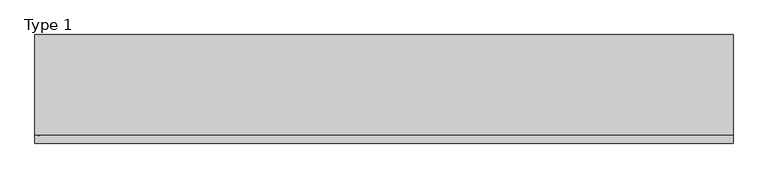
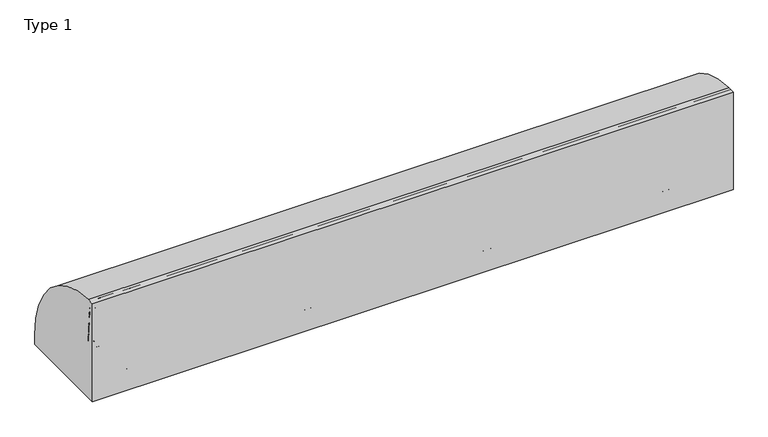
"""IFC4 building model written with IfcOpenShell, lengths in millimetres: railing geometry, Type 1."""

from ifc_helpers import new_model, si_unit, point, frame, frame_2d, origin, origin_with_axes, place, context, project, spatial, polyline, circle_curve, ellipse_curve, trimmed, segment, composite_curve, outline, extrude, source, transform, mapped, element, save
from ifc_brep_helpers import plane_surface, cylinder_surface, revolved_surface, advanced_brep


def type_1_0f7b3bec(model_context):
    return source(origin(), model_context, "Body", "SolidModel", [
        extrude(outline(polyline([(3577.3333333, -185.0), (3577.3333333, 0.0), (3622.3333333, 0.0), (3622.3333333, -185.0), (3577.3333333, -185.0)])), frame((0.0, 0.0, 1e-07), z_axis=(0.0, 0.0, 1.0), x_axis=(1.0, 0.0, 0.0)), (0.0, 0.0, 1.0), 2.5),
        extrude(outline(composite_curve([segment(polyline([(-185.0, 185.0000001), (-154.0180942, 185.0000001)]), True, "CONTINUOUS"), segment(trimmed(circle_curve(frame_2d((-154.0180942, 112.1212122)), 72.8787879), [point((-154.0180942, 185.0000001))], [point((-102.485009, 163.6542973))], False, "CARTESIAN"), True, "CONTINUOUS"), segment(polyline([(-102.485009, 163.6542973), (-4.3933983, 65.5626865)]), True, "CONTINUOUS"), segment(trimmed(circle_curve(frame_2d((-15.0, 54.9560848)), 15.0), [point((-4.3933983, 65.5626865))], [point((0.0, 54.9560848))], False, "CARTESIAN"), True, "CONTINUOUS"), segment(polyline([(0.0, 54.9560848), (0.0, 1e-07), (-185.0, 1e-07), (-185.0, 185.0000001)]), True, "CONTINUOUS")], self_intersect=False), holes=[composite_curve([segment(trimmed(circle_curve(frame_2d((-92.5196719, 93.0361975)), 5.6060606), [point((-98.1257325, 93.0361975))], [point((-86.9136113, 93.0361975))], True, "CARTESIAN"), True, "CONTINUOUS"), segment(trimmed(circle_curve(frame_2d((-165.5151515, 93.0361975)), 78.6015402), [point((-86.9136113, 93.0361975))], [point((-165.5151515, 171.6377377))], True, "CARTESIAN"), True, "CONTINUOUS"), segment(trimmed(circle_curve(frame_2d((-165.5151515, 166.0316771)), 5.6060606), [point((-165.5151515, 171.6377377))], [point((-171.1212121, 166.0316771))], True, "CARTESIAN"), True, "CONTINUOUS"), segment(polyline([(-171.1212121, 166.0316771), (-171.1212121, 143.5676849)]), True, "CONTINUOUS"), segment(trimmed(circle_curve(frame_2d((-165.5151515, 143.5676849)), 5.6060606), [point((-171.1212121, 143.5676849))], [point((-159.9090909, 143.5676849))], True, "CARTESIAN"), True, "CONTINUOUS"), segment(polyline([(-159.9090909, 143.5676849), (-159.9090909, 157.7293747)]), True, "CONTINUOUS"), segment(trimmed(circle_curve(frame_2d((-157.6849895, 157.7293747)), 2.2241014), [point((-159.9090909, 157.7293747))], [point((-157.417745, 159.9373619))], False, "CARTESIAN"), True, "CONTINUOUS"), segment(trimmed(circle_curve(frame_2d((-165.5151515, 93.0361975)), 67.389419), [point((-157.417745, 159.9373619))], [point((-98.1257325, 93.0361975))], False, "CARTESIAN"), True, "CONTINUOUS")], self_intersect=False)]), frame((3622.3333333, 0.0, 0.0), z_axis=(1.0, 0.0, 0.0), x_axis=(0.0, 1.0, 0.0)), (0.0, 0.0, 1.0), 3.0),
        advanced_brep(
        [(3689.3333333, -185.0, 185.0000001), (3689.3333333, -154.0180942, 185.0000001), (3689.3333333, -102.485009, 163.6542973), (3689.3333333, -4.3933983, 65.5626865), (3689.3333333, 0.0, 54.9560848), (3689.3333333, 0.0, 1e-07), (3689.3333333, -185.0, 1e-07), (3689.3333333, -185.0, 100.9768515), (3689.3333333, -98.1257325, 93.0361975), (3689.3333333, -86.9136113, 93.0361975), (3689.3333333, -165.5151515, 171.6377377), (3689.3333333, -171.1212121, 166.0316771), (3689.3333333, -171.1212121, 143.5676849), (3689.3333333, -159.9090909, 143.5676849), (3689.3333333, -159.9090909, 157.7293747), (3689.3333333, -157.417745, 159.9373619), (3692.3333333, 0.0, 54.9560848), (3692.3333333, -4.3933983, 65.5626865), (3692.3333333, -102.485009, 163.6542973), (3692.3333333, -154.0180942, 185.0000001), (3692.3333333, -188.0, 185.0000001), (3692.3333333, -188.0, 100.9768515), (3692.3333333, -185.0, 100.9768515), (3692.3333333, -185.0, 2.5000001), (3692.3333333, 0.0, 2.5000001), (3692.3333333, -98.1257325, 93.0361975), (3692.3333333, -157.417745, 159.9373619), (3692.3333333, -159.9090909, 157.7293747), (3692.3333333, -159.9090909, 143.5676849), (3692.3333333, -171.1212121, 143.5676849), (3692.3333333, -171.1212121, 166.0316771), (3692.3333333, -165.5151515, 171.6377377), (3692.3333333, -86.9136113, 93.0361975), (3622.3333333, -185.0, 185.0000001), (3622.3333333, -188.0, 185.0000001), (3737.3333333, 0.0, 2.5000001), (3737.3333333, 0.0, 1e-07), (3737.3333333, -185.0, 1e-07), (3737.3333333, -185.0, 2.5000001), (3622.3333333, -188.0, 100.9768515), (3622.3333333, -185.0, 100.9768515)],
        [
            (0, 1),
            (1, 2, circle_curve(frame((3689.3333333, -154.0180942, 112.1212122), z_axis=(-1.0, 0.0, 0.0), x_axis=(0.0, -1.0, 0.0)), 72.8787879)),
            (2, 3),
            (3, 4, circle_curve(frame((3689.3333333, -15.0, 54.9560848), z_axis=(-1.0, 0.0, 0.0), x_axis=(0.0, -1.0, 0.0)), 15.0)),
            (4, 5),
            (5, 6),
            (6, 7),
            (7, 0),
            (8, 9, circle_curve(frame((3689.3333333, -92.5196719, 93.0361975), z_axis=(1.0, 0.0, 0.0), x_axis=(0.0, -1.0, 0.0)), 5.6060606)),
            (9, 10, circle_curve(frame((3689.3333333, -165.5151515, 93.0361975), z_axis=(1.0, 0.0, 0.0), x_axis=(0.0, -1.0, 0.0)), 78.6015402)),
            (10, 11, circle_curve(frame((3689.3333333, -165.5151515, 166.0316771), z_axis=(1.0, 0.0, 0.0), x_axis=(0.0, -1.0, 0.0)), 5.6060606)),
            (11, 12),
            (12, 13, circle_curve(frame((3689.3333333, -165.5151515, 143.5676849), z_axis=(1.0, 0.0, 0.0), x_axis=(0.0, -1.0, 0.0)), 5.6060606)),
            (13, 14),
            (14, 15, circle_curve(frame((3689.3333333, -157.6849895, 157.7293747), z_axis=(-1.0, 0.0, 0.0), x_axis=(0.0, -1.0, 0.0)), 2.2241014)),
            (15, 8, circle_curve(frame((3689.3333333, -165.5151515, 93.0361975), z_axis=(-1.0, 0.0, 0.0), x_axis=(0.0, -1.0, 0.0)), 67.389419)),
            (16, 17, circle_curve(frame((3692.3333333, -15.0, 54.9560848), z_axis=(1.0, 0.0, 0.0), x_axis=(0.0, -1.0, 0.0)), 15.0)),
            (17, 18),
            (18, 19, circle_curve(frame((3692.3333333, -154.0180942, 112.1212122), z_axis=(1.0, 0.0, 0.0), x_axis=(0.0, -1.0, 0.0)), 72.8787879)),
            (19, 20),
            (20, 21),
            (21, 22),
            (22, 23),
            (23, 24),
            (24, 16),
            (25, 26, circle_curve(frame((3692.3333333, -165.5151515, 93.0361975), z_axis=(1.0, 0.0, 0.0), x_axis=(0.0, -1.0, 0.0)), 67.389419)),
            (26, 27, circle_curve(frame((3692.3333333, -157.6849895, 157.7293747), z_axis=(1.0, 0.0, 0.0), x_axis=(0.0, -1.0, 0.0)), 2.2241014)),
            (27, 28),
            (28, 29, circle_curve(frame((3692.3333333, -165.5151515, 143.5676849), z_axis=(-1.0, 0.0, 0.0), x_axis=(0.0, -1.0, 0.0)), 5.6060606)),
            (29, 30),
            (30, 31, circle_curve(frame((3692.3333333, -165.5151515, 166.0316771), z_axis=(-1.0, 0.0, 0.0), x_axis=(0.0, -1.0, 0.0)), 5.6060606)),
            (31, 32, circle_curve(frame((3692.3333333, -165.5151515, 93.0361975), z_axis=(-1.0, 0.0, 0.0), x_axis=(0.0, -1.0, 0.0)), 78.6015402)),
            (32, 25, circle_curve(frame((3692.3333333, -92.5196719, 93.0361975), z_axis=(-1.0, 0.0, 0.0), x_axis=(0.0, -1.0, 0.0)), 5.6060606)),
            (0, 33),
            (33, 34),
            (34, 20),
            (19, 1),
            (18, 2),
            (17, 3),
            (16, 4),
            (24, 35),
            (35, 36),
            (36, 5),
            (36, 37),
            (37, 6),
            (37, 38),
            (38, 23),
            (22, 7),
            (8, 25),
            (32, 9),
            (31, 10),
            (30, 11),
            (15, 26),
            (29, 12),
            (28, 13),
            (27, 14),
            (34, 39),
            (39, 21),
            (40, 33),
            (7, 40),
            (40, 39),
            (38, 35),
        ],
        [
            plane_surface(frame((3689.3333333, -183.2270223, 185.0000001), z_axis=(-1.0, 0.0, 0.0), x_axis=(0.0, 1.0, 0.0))),
            plane_surface(frame((3692.3333333, -183.2270223, 185.0000001), z_axis=(1.0, 0.0, 0.0), x_axis=(0.0, -1.0, 0.0))),
            plane_surface(frame((3689.3333333, -185.0, 185.0000001), z_axis=(0.0, 0.0, 1.0), x_axis=(1.0, 0.0, 0.0))),
            cylinder_surface(frame((3692.3333333, -154.0180942, 112.1212122), z_axis=(-1.0, 0.0, 0.0), x_axis=(0.0, -1.0, 0.0)), 72.8787879),
            plane_surface(frame((3689.3333333, -102.485009, 163.6542973), z_axis=(0.0, 0.7071067811865421, 0.707106781186553), x_axis=(1.0, 0.0, 0.0))),
            cylinder_surface(frame((3692.3333333, -15.0, 54.9560848), z_axis=(-1.0, 0.0, 0.0), x_axis=(0.0, -1.0, 0.0)), 15.0),
            plane_surface(frame((3689.3333333, 0.0, 54.9560848), z_axis=(0.0, 1.0, 0.0), x_axis=(1.0, 0.0, 0.0))),
            plane_surface(frame((3689.3333333, 0.0, 1e-07), z_axis=(0.0, 0.0, -1.0), x_axis=(1.0, 0.0, 0.0))),
            plane_surface(frame((3689.3333333, -185.0, 1e-07), z_axis=(0.0, -1.0, 0.0), x_axis=(1.0, 0.0, 0.0))),
            revolved_surface(polyline([(3692.3333333, -98.12573250000001, 93.0361975), (3689.3333333, -98.12573250000001, 93.0361975)]), (3692.3333333, -92.5196719, 93.0361975), (1.0, 0.0, 0.0)),
            revolved_surface(polyline([(3692.3333333, -244.1166917, 93.0361975), (3689.3333333, -244.1166917, 93.0361975)]), (3692.3333333, -165.5151515, 93.0361975), (1.0, 0.0, 0.0)),
            revolved_surface(polyline([(3692.3333333, -171.1212121, 166.0316771), (3689.3333333, -171.1212121, 166.0316771)]), (3692.3333333, -165.5151515, 166.0316771), (1.0, 0.0, 0.0)),
            cylinder_surface(frame((3692.3333333, -165.5151515, 93.0361975), z_axis=(-1.0, 0.0, 0.0), x_axis=(0.0, -1.0, 0.0)), 67.389419),
            plane_surface(frame((3689.3333333, -171.1212121, 166.0316771), z_axis=(0.0, 1.0, 0.0), x_axis=(1.0, 0.0, 0.0))),
            revolved_surface(polyline([(3692.3333333, -171.1212121, 143.5676849), (3689.3333333, -171.1212121, 143.5676849)]), (3692.3333333, -165.5151515, 143.5676849), (1.0, 0.0, 0.0)),
            plane_surface(frame((3689.3333333, -159.9090909, 143.5676849), z_axis=(0.0, -1.0, 0.0), x_axis=(1.0, 0.0, 0.0))),
            cylinder_surface(frame((3692.3333333, -157.6849895, 157.7293747), z_axis=(-1.0, 0.0, 0.0), x_axis=(0.0, -1.0, 0.0)), 2.2241014),
            plane_surface(frame((3622.3333333, -188.0, 185.0000001), z_axis=(0.0, -1.0, 0.0), x_axis=(-1.0, 0.0, 0.0))),
            plane_surface(frame((3622.3333333, -185.0, 185.0000001), z_axis=(0.0, 1.0, 0.0), x_axis=(1.0, 0.0, 0.0))),
            plane_surface(frame((3622.3333333, -188.0, 185.0000001), z_axis=(-1.0, 0.0, 0.0), x_axis=(0.0, 1.0, 0.0))),
            plane_surface(frame((3622.3333333, -188.0, 100.9768515), z_axis=(0.0, 0.0, -1.0), x_axis=(0.0, 1.0, 0.0))),
            plane_surface(frame((3737.3333333, -185.0, 2.5000001), z_axis=(0.0, 0.0, 1.0), x_axis=(0.0, 1.0, 0.0))),
            plane_surface(frame((3737.3333333, -185.0, 2.5000001), z_axis=(1.0, 0.0, 0.0), x_axis=(0.0, 0.0, -1.0))),
        ],
        [
            (0, [[1, 2, 3, 4, 5, 6, 7, 8], [9, 10, 11, 12, 13, 14, 15, 16]]),
            (1, [[17, 18, 19, 20, 21, 22, 23, 24, 25], [26, 27, 28, 29, 30, 31, 32, 33]]),
            (2, [[-1, 34, 35, 36, -20, 37]]),
            (3, [[-2, -37, -19, 38]]),
            (4, [[-3, -38, -18, 39]]),
            (5, [[-4, -39, -17, 40]]),
            (6, [[-5, -40, -25, 41, 42, 43]]),
            (7, [[-6, -43, 44, 45]]),
            (8, [[-45, 46, 47, -23, 48, -7]]),
            (9, [[-9, 49, -33, 50]]),
            (10, [[-10, -50, -32, 51]]),
            (11, [[-11, -51, -31, 52]]),
            (12, [[-16, 53, -26, -49]]),
            (13, [[-12, -52, -30, 54]]),
            (14, [[-13, -54, -29, 55]]),
            (15, [[-14, -55, -28, 56]]),
            (16, [[-15, -56, -27, -53]]),
            (17, [[-36, 57, 58, -21]]),
            (18, [[59, -34, -8, 60]]),
            (19, [[-57, -35, -59, 61]]),
            (20, [[-58, -61, -60, -48, -22]]),
            (21, [[62, -41, -24, -47]]),
            (22, [[-62, -46, -44, -42]]),
        ],
    ),
        extrude(outline(composite_curve([segment(trimmed(circle_curve(frame_2d((3634.3333333, -180.0)), 5.0), [point((3634.3333333, -185.0))], [point((3629.3333333, -180.0))], False, "CARTESIAN"), True, "CONTINUOUS"), segment(polyline([(3629.3333333, -180.0), (3629.3333333, -152.0)]), True, "CONTINUOUS"), segment(trimmed(circle_curve(frame_2d((3634.3333333, -152.0)), 5.0), [point((3629.3333333, -152.0))], [point((3634.3333333, -147.0))], False, "CARTESIAN"), True, "CONTINUOUS"), segment(polyline([(3634.3333333, -147.0), (3680.3333333, -147.0)]), True, "CONTINUOUS"), segment(trimmed(circle_curve(frame_2d((3680.3333333, -152.0)), 5.0), [point((3680.3333333, -147.0))], [point((3685.3333333, -152.0))], False, "CARTESIAN"), True, "CONTINUOUS"), segment(polyline([(3685.3333333, -152.0), (3685.3333333, -180.0)]), True, "CONTINUOUS"), segment(trimmed(circle_curve(frame_2d((3680.3333333, -180.0)), 5.0), [point((3685.3333333, -180.0))], [point((3680.3333333, -185.0))], False, "CARTESIAN"), True, "CONTINUOUS"), segment(polyline([(3680.3333333, -185.0), (3634.3333333, -185.0)]), True, "CONTINUOUS")], self_intersect=False)), frame((0.0, 0.0, 43.0000001), z_axis=(0.0, 0.0, 1.0), x_axis=(1.0, 0.0, 0.0)), (0.0, 0.0, 1.0), 965.0),
        extrude(outline(composite_curve([segment(polyline([(-209.2, 1050.0), (-132.6546144, 1050.0)]), True, "CONTINUOUS"), segment(trimmed(circle_curve(frame_2d((-139.8273072, 108.0)), 942.0273072), [point((-132.6546144, 1050.0))], [point((802.2, 108.0))], False, "CARTESIAN"), True, "CONTINUOUS"), segment(polyline([(802.2, 108.0), (802.2, 0.0), (-209.2, 0.0), (-209.2, 1050.0)]), True, "CONTINUOUS")], self_intersect=False)), frame((-400.0, 0.0, 0.0), z_axis=(1.0, 0.0, 0.0), x_axis=(0.0, 1.0, 0.0)), (0.0, 0.0, 1.0), 6500.0),
        extrude(outline(polyline([(1762.6666667, -185.0), (1762.6666667, 0.0), (1807.6666667, 0.0), (1807.6666667, -185.0), (1762.6666667, -185.0)])), origin_with_axes(), (0.0, 0.0, 1.0), 2.5),
        extrude(outline(composite_curve([segment(polyline([(-185.0, 185.0), (-154.0180942, 185.0)]), True, "CONTINUOUS"), segment(trimmed(circle_curve(frame_2d((-154.0180942, 112.1212122)), 72.8787879), [point((-154.0180942, 185.0))], [point((-102.485009, 163.6542973))], False, "CARTESIAN"), True, "CONTINUOUS"), segment(polyline([(-102.485009, 163.6542973), (-4.3933983, 65.5626865)]), True, "CONTINUOUS"), segment(trimmed(circle_curve(frame_2d((-15.0, 54.9560848)), 15.0), [point((-4.3933983, 65.5626865))], [point((0.0, 54.9560848))], False, "CARTESIAN"), True, "CONTINUOUS"), segment(polyline([(0.0, 54.9560848), (0.0, 0.0), (-185.0, 0.0), (-185.0, 185.0)]), True, "CONTINUOUS")], self_intersect=False), holes=[composite_curve([segment(trimmed(circle_curve(frame_2d((-92.5196719, 93.0361975)), 5.6060606), [point((-98.1257325, 93.0361975))], [point((-86.9136113, 93.0361975))], True, "CARTESIAN"), True, "CONTINUOUS"), segment(trimmed(circle_curve(frame_2d((-165.5151515, 93.0361975)), 78.6015402), [point((-86.9136113, 93.0361975))], [point((-165.5151515, 171.6377377))], True, "CARTESIAN"), True, "CONTINUOUS"), segment(trimmed(circle_curve(frame_2d((-165.5151515, 166.0316771)), 5.6060606), [point((-165.5151515, 171.6377377))], [point((-171.1212121, 166.0316771))], True, "CARTESIAN"), True, "CONTINUOUS"), segment(polyline([(-171.1212121, 166.0316771), (-171.1212121, 143.5676849)]), True, "CONTINUOUS"), segment(trimmed(circle_curve(frame_2d((-165.5151515, 143.5676849)), 5.6060606), [point((-171.1212121, 143.5676849))], [point((-159.9090909, 143.5676849))], True, "CARTESIAN"), True, "CONTINUOUS"), segment(polyline([(-159.9090909, 143.5676849), (-159.9090909, 157.7293747)]), True, "CONTINUOUS"), segment(trimmed(circle_curve(frame_2d((-157.6849895, 157.7293747)), 2.2241014), [point((-159.9090909, 157.7293747))], [point((-157.417745, 159.9373619))], False, "CARTESIAN"), True, "CONTINUOUS"), segment(trimmed(circle_curve(frame_2d((-165.5151515, 93.0361975)), 67.389419), [point((-157.417745, 159.9373619))], [point((-98.1257325, 93.0361975))], False, "CARTESIAN"), True, "CONTINUOUS")], self_intersect=False)]), frame((1807.6666667, 0.0, 0.0), z_axis=(1.0, 0.0, 0.0), x_axis=(0.0, 1.0, 0.0)), (0.0, 0.0, 1.0), 3.0),
        advanced_brep(
        [(1874.6666667, -185.0, 185.0), (1874.6666667, -154.0180942, 185.0), (1874.6666667, -102.485009, 163.6542973), (1874.6666667, -4.3933983, 65.5626865), (1874.6666667, 0.0, 54.9560848), (1874.6666667, 0.0, 0.0), (1874.6666667, -185.0, 0.0), (1874.6666667, -185.0, 100.9768515), (1874.6666667, -98.1257325, 93.0361975), (1874.6666667, -86.9136113, 93.0361975), (1874.6666667, -165.5151515, 171.6377377), (1874.6666667, -171.1212121, 166.0316771), (1874.6666667, -171.1212121, 143.5676849), (1874.6666667, -159.9090909, 143.5676849), (1874.6666667, -159.9090909, 157.7293747), (1874.6666667, -157.417745, 159.9373619), (1877.6666667, 0.0, 54.9560848), (1877.6666667, -4.3933983, 65.5626865), (1877.6666667, -102.485009, 163.6542973), (1877.6666667, -154.0180942, 185.0), (1877.6666667, -188.0, 185.0), (1877.6666667, -188.0, 100.9768515), (1877.6666667, -185.0, 100.9768515), (1877.6666667, -185.0, 2.5), (1877.6666667, 0.0, 2.5), (1877.6666667, -98.1257325, 93.0361975), (1877.6666667, -157.417745, 159.9373619), (1877.6666667, -159.9090909, 157.7293747), (1877.6666667, -159.9090909, 143.5676849), (1877.6666667, -171.1212121, 143.5676849), (1877.6666667, -171.1212121, 166.0316771), (1877.6666667, -165.5151515, 171.6377377), (1877.6666667, -86.9136113, 93.0361975), (1807.6666667, -185.0, 185.0), (1807.6666667, -188.0, 185.0), (1922.6666667, 0.0, 2.5), (1922.6666667, 0.0, 0.0), (1922.6666667, -185.0, 0.0), (1922.6666667, -185.0, 2.5), (1807.6666667, -188.0, 100.9768515), (1807.6666667, -185.0, 100.9768515)],
        [
            (0, 1),
            (1, 2, circle_curve(frame((1874.6666667, -154.0180942, 112.1212122), z_axis=(-1.0, 0.0, 0.0), x_axis=(0.0, -1.0, 0.0)), 72.8787879)),
            (2, 3),
            (3, 4, circle_curve(frame((1874.6666667, -15.0, 54.9560848), z_axis=(-1.0, 0.0, 0.0), x_axis=(0.0, -1.0, 0.0)), 15.0)),
            (4, 5),
            (5, 6),
            (6, 7),
            (7, 0),
            (8, 9, circle_curve(frame((1874.6666667, -92.5196719, 93.0361975), z_axis=(1.0, 0.0, 0.0), x_axis=(0.0, -1.0, 0.0)), 5.6060606)),
            (9, 10, circle_curve(frame((1874.6666667, -165.5151515, 93.0361975), z_axis=(1.0, 0.0, 0.0), x_axis=(0.0, -1.0, 0.0)), 78.6015402)),
            (10, 11, circle_curve(frame((1874.6666667, -165.5151515, 166.0316771), z_axis=(1.0, 0.0, 0.0), x_axis=(0.0, -1.0, 0.0)), 5.6060606)),
            (11, 12),
            (12, 13, circle_curve(frame((1874.6666667, -165.5151515, 143.5676849), z_axis=(1.0, 0.0, 0.0), x_axis=(0.0, -1.0, 0.0)), 5.6060606)),
            (13, 14),
            (14, 15, circle_curve(frame((1874.6666667, -157.6849895, 157.7293747), z_axis=(-1.0, 0.0, 0.0), x_axis=(0.0, -1.0, 0.0)), 2.2241014)),
            (15, 8, circle_curve(frame((1874.6666667, -165.5151515, 93.0361975), z_axis=(-1.0, 0.0, 0.0), x_axis=(0.0, -1.0, 0.0)), 67.389419)),
            (16, 17, circle_curve(frame((1877.6666667, -15.0, 54.9560848), z_axis=(1.0, 0.0, 0.0), x_axis=(0.0, -1.0, 0.0)), 15.0)),
            (17, 18),
            (18, 19, circle_curve(frame((1877.6666667, -154.0180942, 112.1212122), z_axis=(1.0, 0.0, 0.0), x_axis=(0.0, -1.0, 0.0)), 72.8787879)),
            (19, 20),
            (20, 21),
            (21, 22),
            (22, 23),
            (23, 24),
            (24, 16),
            (25, 26, circle_curve(frame((1877.6666667, -165.5151515, 93.0361975), z_axis=(1.0, 0.0, 0.0), x_axis=(0.0, -1.0, 0.0)), 67.389419)),
            (26, 27, circle_curve(frame((1877.6666667, -157.6849895, 157.7293747), z_axis=(1.0, 0.0, 0.0), x_axis=(0.0, -1.0, 0.0)), 2.2241014)),
            (27, 28),
            (28, 29, circle_curve(frame((1877.6666667, -165.5151515, 143.5676849), z_axis=(-1.0, 0.0, 0.0), x_axis=(0.0, -1.0, 0.0)), 5.6060606)),
            (29, 30),
            (30, 31, circle_curve(frame((1877.6666667, -165.5151515, 166.0316771), z_axis=(-1.0, 0.0, 0.0), x_axis=(0.0, -1.0, 0.0)), 5.6060606)),
            (31, 32, circle_curve(frame((1877.6666667, -165.5151515, 93.0361975), z_axis=(-1.0, 0.0, 0.0), x_axis=(0.0, -1.0, 0.0)), 78.6015402)),
            (32, 25, circle_curve(frame((1877.6666667, -92.5196719, 93.0361975), z_axis=(-1.0, 0.0, 0.0), x_axis=(0.0, -1.0, 0.0)), 5.6060606)),
            (0, 33),
            (33, 34),
            (34, 20),
            (19, 1),
            (18, 2),
            (17, 3),
            (16, 4),
            (24, 35),
            (35, 36),
            (36, 5),
            (36, 37),
            (37, 6),
            (37, 38),
            (38, 23),
            (22, 7),
            (8, 25),
            (32, 9),
            (31, 10),
            (30, 11),
            (15, 26),
            (29, 12),
            (28, 13),
            (27, 14),
            (34, 39),
            (39, 21),
            (40, 33),
            (7, 40),
            (40, 39),
            (38, 35),
        ],
        [
            plane_surface(frame((1874.6666667, -183.2270223, 185.0), z_axis=(-1.0, 0.0, 0.0), x_axis=(0.0, 1.0, 0.0))),
            plane_surface(frame((1877.6666667, -183.2270223, 185.0), z_axis=(1.0, 0.0, 0.0), x_axis=(0.0, -1.0, 0.0))),
            plane_surface(frame((1874.6666667, -185.0, 185.0), z_axis=(0.0, 0.0, 1.0), x_axis=(1.0, 0.0, 0.0))),
            cylinder_surface(frame((1877.6666667, -154.0180942, 112.1212122), z_axis=(-1.0, 0.0, 0.0), x_axis=(0.0, -1.0, 0.0)), 72.8787879),
            plane_surface(frame((1874.6666667, -102.485009, 163.6542973), z_axis=(0.0, 0.7071067811865421, 0.707106781186553), x_axis=(1.0, 0.0, 0.0))),
            cylinder_surface(frame((1877.6666667, -15.0, 54.9560848), z_axis=(-1.0, 0.0, 0.0), x_axis=(0.0, -1.0, 0.0)), 15.0),
            plane_surface(frame((1874.6666667, 0.0, 54.9560848), z_axis=(0.0, 1.0, 0.0), x_axis=(1.0, 0.0, 0.0))),
            plane_surface(frame((1874.6666667, 0.0, 0.0), z_axis=(0.0, 0.0, -1.0), x_axis=(1.0, 0.0, 0.0))),
            plane_surface(frame((1874.6666667, -185.0, 0.0), z_axis=(0.0, -1.0, 0.0), x_axis=(1.0, 0.0, 0.0))),
            revolved_surface(polyline([(1877.6666667, -98.12573250000001, 93.0361975), (1874.6666667, -98.12573250000001, 93.0361975)]), (1877.6666667, -92.5196719, 93.0361975), (1.0, 0.0, 0.0)),
            revolved_surface(polyline([(1877.6666667, -244.1166917, 93.0361975), (1874.6666667, -244.1166917, 93.0361975)]), (1877.6666667, -165.5151515, 93.0361975), (1.0, 0.0, 0.0)),
            revolved_surface(polyline([(1877.6666667, -171.1212121, 166.0316771), (1874.6666667, -171.1212121, 166.0316771)]), (1877.6666667, -165.5151515, 166.0316771), (1.0, 0.0, 0.0)),
            cylinder_surface(frame((1877.6666667, -165.5151515, 93.0361975), z_axis=(-1.0, 0.0, 0.0), x_axis=(0.0, -1.0, 0.0)), 67.389419),
            plane_surface(frame((1874.6666667, -171.1212121, 166.0316771), z_axis=(0.0, 1.0, 0.0), x_axis=(1.0, 0.0, 0.0))),
            revolved_surface(polyline([(1877.6666667, -171.1212121, 143.5676849), (1874.6666667, -171.1212121, 143.5676849)]), (1877.6666667, -165.5151515, 143.5676849), (1.0, 0.0, 0.0)),
            plane_surface(frame((1874.6666667, -159.9090909, 143.5676849), z_axis=(0.0, -1.0, 0.0), x_axis=(1.0, 0.0, 0.0))),
            cylinder_surface(frame((1877.6666667, -157.6849895, 157.7293747), z_axis=(-1.0, 0.0, 0.0), x_axis=(0.0, -1.0, 0.0)), 2.2241014),
            plane_surface(frame((1807.6666667, -188.0, 185.0), z_axis=(0.0, -1.0, 0.0), x_axis=(-1.0, 0.0, 0.0))),
            plane_surface(frame((1807.6666667, -185.0, 185.0), z_axis=(0.0, 1.0, 0.0), x_axis=(1.0, 0.0, 0.0))),
            plane_surface(frame((1807.6666667, -188.0, 185.0), z_axis=(-1.0, 0.0, 0.0), x_axis=(0.0, 1.0, 0.0))),
            plane_surface(frame((1807.6666667, -188.0, 100.9768515), z_axis=(0.0, 0.0, -1.0), x_axis=(0.0, 1.0, 0.0))),
            plane_surface(frame((1922.6666667, -185.0, 2.5), z_axis=(0.0, 0.0, 1.0), x_axis=(0.0, 1.0, 0.0))),
            plane_surface(frame((1922.6666667, -185.0, 2.5), z_axis=(1.0, 0.0, 0.0), x_axis=(0.0, 0.0, -1.0))),
        ],
        [
            (0, [[1, 2, 3, 4, 5, 6, 7, 8], [9, 10, 11, 12, 13, 14, 15, 16]]),
            (1, [[17, 18, 19, 20, 21, 22, 23, 24, 25], [26, 27, 28, 29, 30, 31, 32, 33]]),
            (2, [[-1, 34, 35, 36, -20, 37]]),
            (3, [[-2, -37, -19, 38]]),
            (4, [[-3, -38, -18, 39]]),
            (5, [[-4, -39, -17, 40]]),
            (6, [[-5, -40, -25, 41, 42, 43]]),
            (7, [[-6, -43, 44, 45]]),
            (8, [[-45, 46, 47, -23, 48, -7]]),
            (9, [[-9, 49, -33, 50]]),
            (10, [[-10, -50, -32, 51]]),
            (11, [[-11, -51, -31, 52]]),
            (12, [[-16, 53, -26, -49]]),
            (13, [[-12, -52, -30, 54]]),
            (14, [[-13, -54, -29, 55]]),
            (15, [[-14, -55, -28, 56]]),
            (16, [[-15, -56, -27, -53]]),
            (17, [[-36, 57, 58, -21]]),
            (18, [[59, -34, -8, 60]]),
            (19, [[-57, -35, -59, 61]]),
            (20, [[-58, -61, -60, -48, -22]]),
            (21, [[62, -41, -24, -47]]),
            (22, [[-62, -46, -44, -42]]),
        ],
    ),
        extrude(outline(composite_curve([segment(trimmed(circle_curve(frame_2d((1819.6666667, -180.0)), 5.0), [point((1819.6666667, -185.0))], [point((1814.6666667, -180.0))], False, "CARTESIAN"), True, "CONTINUOUS"), segment(polyline([(1814.6666667, -180.0), (1814.6666667, -152.0)]), True, "CONTINUOUS"), segment(trimmed(circle_curve(frame_2d((1819.6666667, -152.0)), 5.0), [point((1814.6666667, -152.0))], [point((1819.6666667, -147.0))], False, "CARTESIAN"), True, "CONTINUOUS"), segment(polyline([(1819.6666667, -147.0), (1865.6666667, -147.0)]), True, "CONTINUOUS"), segment(trimmed(circle_curve(frame_2d((1865.6666667, -152.0)), 5.0), [point((1865.6666667, -147.0))], [point((1870.6666667, -152.0))], False, "CARTESIAN"), True, "CONTINUOUS"), segment(polyline([(1870.6666667, -152.0), (1870.6666667, -180.0)]), True, "CONTINUOUS"), segment(trimmed(circle_curve(frame_2d((1865.6666667, -180.0)), 5.0), [point((1870.6666667, -180.0))], [point((1865.6666667, -185.0))], False, "CARTESIAN"), True, "CONTINUOUS"), segment(polyline([(1865.6666667, -185.0), (1819.6666667, -185.0)]), True, "CONTINUOUS")], self_intersect=False)), frame((0.0, 0.0, 43.0), z_axis=(0.0, 0.0, 1.0), x_axis=(1.0, 0.0, 0.0)), (0.0, 0.0, 1.0), 965.0),
        advanced_brep(
        [(-200.0, -131.3, 518.0), (-200.0, -131.3, 558.0), (-210.0, -131.3, 513.0), (-210.0, -131.3, 563.0)],
        [
            (0, 1, circle_curve(frame((-200.0, -131.3, 538.0), z_axis=(1.0, 0.0, 0.0), x_axis=(0.0, 0.0, -1.0)), 20.0)),
            (1, 0, circle_curve(frame((-200.0, -131.3, 538.0), z_axis=(1.0, 0.0, 0.0), x_axis=(0.0, 0.0, 1.0)), 20.0)),
            (2, 3, circle_curve(frame((-210.0, -131.3, 538.0), z_axis=(-1.0, 0.0, 0.0), x_axis=(0.0, 0.0, 1.0)), 25.0)),
            (3, 2, circle_curve(frame((-210.0, -131.3, 538.0), z_axis=(-1.0, 0.0, 0.0), x_axis=(0.0, 0.0, -1.0)), 25.0)),
            (3, 1),
            (0, 2),
        ],
        [
            plane_surface(frame((-200.0, -131.3, 538.0), z_axis=(1.0, 0.0, 0.0), x_axis=(0.0, 1.0, 0.0))),
            plane_surface(frame((-210.0, -131.3, 538.0), z_axis=(-1.0, 0.0, 0.0), x_axis=(0.0, 1.0, 0.0))),
            revolved_surface(polyline([(-200.0, -131.3, 518.0), (-210.0, -131.3, 513.0)]), (-160.0, -131.3, 538.0), (-1.0, 0.0, 0.0)),
            revolved_surface(polyline([(-200.0, -131.3, 558.0), (-210.0, -131.3, 563.0)]), (-160.0, -131.3, 538.0), (-1.0, 0.0, 0.0)),
        ],
        [
            (0, [[1, 2]]),
            (1, [[3, 4]]),
            (2, [[-4, 5, -1, 6]]),
            (3, [[-3, -6, -2, -5]]),
        ],
    ),
        advanced_brep(
        [(0.0, -167.7768095, 1049.936779), (0.0, -164.2231905, 1000.063221), (-300.0, -167.7768095, 1049.936779), (-300.0, -164.2231905, 1000.063221), (-350.0, -160.6695715, 950.1896629), (-400.0, -160.6695715, 950.1896629), (-400.0, -136.6399996, 612.9446635), (-350.0, -136.6399996, 612.9446635), (-300.0, -133.0863806, 563.0711054), (-300.0, -129.5327616, 513.1975474), (-210.0, -129.5327616, 513.1975474), (-210.0, -133.0863806, 563.0711054)],
        [
            (0, 1, circle_curve(frame((0.0, -166.0, 1025.0), z_axis=(1.0, 0.0, 0.0), x_axis=(0.0, 0.07107238045514509, -0.9974711608545078)), 25.0)),
            (1, 0, circle_curve(frame((0.0, -166.0, 1025.0), z_axis=(1.0, 0.0, 0.0), x_axis=(0.0, 0.07107238045514509, -0.9974711608545078)), 25.0)),
            (0, 2),
            (2, 3, circle_curve(frame((-300.0, -166.0, 1025.0), z_axis=(1.0, 0.0, 0.0), x_axis=(0.0, 0.07107238045514509, -0.9974711608545078)), 25.0)),
            (3, 1),
            (3, 2, circle_curve(frame((-300.0, -166.0, 1025.0), z_axis=(1.0, 0.0, 0.0), x_axis=(0.0, 0.07107238045514509, -0.9974711608545078)), 25.0)),
            (4, 3, circle_curve(frame((-300.0, -160.6695715, 950.1896629), z_axis=(0.0, 0.9974711608545078, 0.07107238045514509), x_axis=(0.0, -0.07107238045514509, 0.9974711608545078)), 50.0)),
            (2, 5, circle_curve(frame((-300.0, -160.6695715, 950.1896629), z_axis=(0.0, -0.9974711608545078, -0.07107238045514509), x_axis=(0.0, -0.07107238045514509, 0.9974711608545078)), 100.0)),
            (5, 4, circle_curve(frame((-375.0, -160.6695715, 950.1896629), z_axis=(0.0, -0.07107238045514509, 0.9974711608545078), x_axis=(1.0000000000000002, 0.0, 0.0)), 25.0)),
            (4, 5, circle_curve(frame((-375.0, -160.6695715, 950.1896629), z_axis=(0.0, -0.07107238045514509, 0.9974711608545078), x_axis=(1.0000000000000002, 0.0, 0.0)), 25.0)),
            (5, 6),
            (6, 7, circle_curve(frame((-375.0, -136.6399996, 612.9446635), z_axis=(0.0, -0.0710723804551451, 0.9974711608545077), x_axis=(1.0, 0.0, 0.0)), 25.0)),
            (7, 4),
            (7, 6, circle_curve(frame((-375.0, -136.6399996, 612.9446635), z_axis=(0.0, -0.0710723804551451, 0.9974711608545077), x_axis=(1.0, 0.0, 0.0)), 25.0)),
            (8, 7, circle_curve(frame((-300.0, -136.6399996, 612.9446635), z_axis=(0.0, 0.9974711608545078, 0.07107238045514509), x_axis=(-1.0, 0.0, 0.0)), 50.0)),
            (6, 9, circle_curve(frame((-300.0, -136.6399996, 612.9446635), z_axis=(0.0, -0.9974711608545078, -0.07107238045514509), x_axis=(-1.0, 0.0, 0.0)), 100.0)),
            (9, 8, circle_curve(frame((-300.0, -131.3095711, 538.1343264), z_axis=(-1.0, 0.0, 0.0), x_axis=(0.0, -0.0710723804551451, 0.9974711608545078)), 25.0)),
            (8, 9, circle_curve(frame((-300.0, -131.3095711, 538.1343264), z_axis=(-1.0, 0.0, 0.0), x_axis=(0.0, -0.0710723804551451, 0.9974711608545078)), 25.0)),
            (10, 11, circle_curve(frame((-210.0, -131.3095711, 538.1343264), z_axis=(1.0, 0.0, 0.0), x_axis=(0.0, -0.07107238045514509, 0.9974711608545078)), 25.0)),
            (11, 10, circle_curve(frame((-210.0, -131.3095711, 538.1343264), z_axis=(1.0, 0.0, 0.0), x_axis=(0.0, -0.07107238045514509, 0.9974711608545078)), 25.0)),
            (9, 10),
            (11, 8),
        ],
        [
            plane_surface(frame((0.0, -167.7768095, 1049.936779), z_axis=(1.0000000000000002, 0.0, 0.0), x_axis=(0.0, -0.9974711608545078, -0.07107238045514509))),
            cylinder_surface(frame((0.0, -166.0, 1025.0), z_axis=(1.0000000000000002, 0.0, 0.0), x_axis=(0.0, 0.07107238045514509, -0.9974711608545078)), 25.0),
            revolved_surface(trimmed(ellipse_curve(frame((-300.0, -166.0, 1025.0), z_axis=(1.0000000000000002, 0.0, 0.0), x_axis=(0.0, 0.07107238045514509, -0.9974711608545078)), 25.0, 25.0), [point((-300.0, -167.7768095, 1049.936779))], [point((-300.0, -164.2231905, 1000.063221))], True, "CARTESIAN"), (-300.0, -160.6695715, 950.1896629), (0.0, -0.9974711608545078, -0.07107238045514509)),
            revolved_surface(trimmed(ellipse_curve(frame((-300.0, -166.0, 1025.0), z_axis=(1.0000000000000002, 0.0, 0.0), x_axis=(0.0, 0.07107238045514509, -0.9974711608545078)), 25.0, 25.0), [point((-300.0, -164.2231905, 1000.063221))], [point((-300.0, -167.7768095, 1049.936779))], True, "CARTESIAN"), (-300.0, -160.6695715, 950.1896629), (0.0, -0.9974711608545078, -0.07107238045514509)),
            cylinder_surface(frame((-375.0, -160.6695715, 950.1896629), z_axis=(0.0, -0.0710723804551451, 0.9974711608545077), x_axis=(1.0, 0.0, 0.0)), 25.0),
            revolved_surface(trimmed(ellipse_curve(frame((-375.0, -136.6399996, 612.9446635), z_axis=(0.0, -0.07107238045514512, 0.9974711608545078), x_axis=(1.0, 0.0, 0.0)), 25.0, 25.0), [point((-400.0, -136.6399996, 612.9446635))], [point((-350.0, -136.6399996, 612.9446635))], True, "CARTESIAN"), (-300.0, -136.6399996, 612.9446635), (0.0, -0.9974711608545078, -0.07107238045514509)),
            revolved_surface(trimmed(ellipse_curve(frame((-375.0, -136.6399996, 612.9446635), z_axis=(0.0, -0.07107238045514512, 0.9974711608545078), x_axis=(1.0, 0.0, 0.0)), 25.0, 25.0), [point((-350.0, -136.6399996, 612.9446635))], [point((-400.0, -136.6399996, 612.9446635))], True, "CARTESIAN"), (-300.0, -136.6399996, 612.9446635), (0.0, -0.9974711608545078, -0.07107238045514509)),
            plane_surface(frame((-210.0, -129.5327616, 513.1975474), z_axis=(1.0000000000000002, 0.0, 0.0), x_axis=(0.0, -0.9974711608545078, -0.07107238045514509))),
            cylinder_surface(frame((-300.0, -131.3095711, 538.1343264), z_axis=(-1.0, 0.0, 0.0), x_axis=(0.0, -0.07107238045514509, 0.9974711608545078)), 25.0),
        ],
        [
            (0, [[1, 2]]),
            (1, [[-1, 3, 4, 5]]),
            (1, [[-2, -5, 6, -3]]),
            (2, [[7, -4, 8, 9]]),
            (3, [[-8, -6, -7, 10]]),
            (4, [[-9, 11, 12, 13]]),
            (4, [[-10, -13, 14, -11]]),
            (5, [[15, -12, 16, 17]]),
            (6, [[-16, -14, -15, 18]]),
            (7, [[19, 20]]),
            (8, [[-17, 21, -20, 22]]),
            (8, [[-18, -22, -19, -21]]),
        ],
    ),
        extrude(outline(composite_curve([segment(trimmed(circle_curve(frame_2d((-131.287505, 538.0)), 20.0), [point((-112.7, 530.617273))], [point((-147.0, 525.6259343))], False, "CARTESIAN"), True, "CONTINUOUS"), segment(polyline([(-147.0, 525.6259343), (-147.0, 550.3740657)]), True, "CONTINUOUS"), segment(trimmed(circle_curve(frame_2d((-131.287505, 538.0)), 20.0), [point((-147.0, 550.3740657))], [point((-112.7, 545.382727))], False, "CARTESIAN"), True, "CONTINUOUS"), segment(polyline([(-112.7, 545.382727), (-116.7, 545.382727), (-116.7, 530.617273), (-112.7, 530.617273)]), True, "CONTINUOUS")], self_intersect=False)), frame((-200.0, 0.0, 0.0), z_axis=(1.0, 0.0, 0.0), x_axis=(0.0, 1.0, 0.0)), (0.0, 0.0, 1.0), 6275.0),
        extrude(outline(composite_curve([segment(trimmed(circle_curve(frame_2d((-166.0, 1025.0)), 25.0), [point((-187.0, 1011.43534))], [point((-145.0, 1011.43534))], False, "CARTESIAN"), True, "CONTINUOUS"), segment(polyline([(-145.0, 1011.43534), (-145.0, 993.0), (-146.0, 993.0), (-146.0, 1008.0), (-186.0, 1008.0), (-186.0, 993.0), (-187.0, 993.0), (-187.0, 1011.43534)]), True, "CONTINUOUS")], self_intersect=False)), frame((0.0, 0.0, 0.0), z_axis=(1.0, 0.0, 0.0), x_axis=(0.0, 1.0, 0.0)), (0.0, 0.0, 1.0), 6100.0),
        extrude(outline(polyline([(5392.0, -185.0), (5392.0, 0.0), (5437.0, 0.0), (5437.0, -185.0), (5392.0, -185.0)])), origin_with_axes(), (0.0, 0.0, 1.0), 2.5),
        extrude(outline(composite_curve([segment(polyline([(-185.0, 185.0), (-154.0180942, 185.0)]), True, "CONTINUOUS"), segment(trimmed(circle_curve(frame_2d((-154.0180942, 112.1212122)), 72.8787879), [point((-154.0180942, 185.0))], [point((-102.485009, 163.6542973))], False, "CARTESIAN"), True, "CONTINUOUS"), segment(polyline([(-102.485009, 163.6542973), (-4.3933983, 65.5626865)]), True, "CONTINUOUS"), segment(trimmed(circle_curve(frame_2d((-15.0, 54.9560848)), 15.0), [point((-4.3933983, 65.5626865))], [point((0.0, 54.9560848))], False, "CARTESIAN"), True, "CONTINUOUS"), segment(polyline([(0.0, 54.9560848), (0.0, 0.0), (-185.0, 0.0), (-185.0, 185.0)]), True, "CONTINUOUS")], self_intersect=False), holes=[composite_curve([segment(trimmed(circle_curve(frame_2d((-92.5196719, 93.0361975)), 5.6060606), [point((-98.1257325, 93.0361975))], [point((-86.9136113, 93.0361975))], True, "CARTESIAN"), True, "CONTINUOUS"), segment(trimmed(circle_curve(frame_2d((-165.5151515, 93.0361975)), 78.6015402), [point((-86.9136113, 93.0361975))], [point((-165.5151515, 171.6377377))], True, "CARTESIAN"), True, "CONTINUOUS"), segment(trimmed(circle_curve(frame_2d((-165.5151515, 166.0316771)), 5.6060606), [point((-165.5151515, 171.6377377))], [point((-171.1212121, 166.0316771))], True, "CARTESIAN"), True, "CONTINUOUS"), segment(polyline([(-171.1212121, 166.0316771), (-171.1212121, 143.5676849)]), True, "CONTINUOUS"), segment(trimmed(circle_curve(frame_2d((-165.5151515, 143.5676849)), 5.6060606), [point((-171.1212121, 143.5676849))], [point((-159.9090909, 143.5676849))], True, "CARTESIAN"), True, "CONTINUOUS"), segment(polyline([(-159.9090909, 143.5676849), (-159.9090909, 157.7293747)]), True, "CONTINUOUS"), segment(trimmed(circle_curve(frame_2d((-157.6849895, 157.7293747)), 2.2241014), [point((-159.9090909, 157.7293747))], [point((-157.417745, 159.9373619))], False, "CARTESIAN"), True, "CONTINUOUS"), segment(trimmed(circle_curve(frame_2d((-165.5151515, 93.0361975)), 67.389419), [point((-157.417745, 159.9373619))], [point((-98.1257325, 93.0361975))], False, "CARTESIAN"), True, "CONTINUOUS")], self_intersect=False)]), frame((5437.0, 0.0, 0.0), z_axis=(1.0, 0.0, 0.0), x_axis=(0.0, 1.0, 0.0)), (0.0, 0.0, 1.0), 3.0),
        advanced_brep(
        [(5504.0, -185.0, 185.0), (5504.0, -154.0180942, 185.0), (5504.0, -102.485009, 163.6542973), (5504.0, -4.3933983, 65.5626865), (5504.0, 0.0, 54.9560848), (5504.0, 0.0, 0.0), (5504.0, -185.0, 0.0), (5504.0, -185.0, 100.9768515), (5504.0, -98.1257325, 93.0361975), (5504.0, -86.9136113, 93.0361975), (5504.0, -165.5151515, 171.6377377), (5504.0, -171.1212121, 166.0316771), (5504.0, -171.1212121, 143.5676849), (5504.0, -159.9090909, 143.5676849), (5504.0, -159.9090909, 157.7293747), (5504.0, -157.417745, 159.9373619), (5507.0, 0.0, 54.9560848), (5507.0, -4.3933983, 65.5626865), (5507.0, -102.485009, 163.6542973), (5507.0, -154.0180942, 185.0), (5507.0, -188.0, 185.0), (5507.0, -188.0, 100.9768515), (5507.0, -185.0, 100.9768515), (5507.0, -185.0, 2.5), (5507.0, 0.0, 2.5), (5507.0, -98.1257325, 93.0361975), (5507.0, -157.417745, 159.9373619), (5507.0, -159.9090909, 157.7293747), (5507.0, -159.9090909, 143.5676849), (5507.0, -171.1212121, 143.5676849), (5507.0, -171.1212121, 166.0316771), (5507.0, -165.5151515, 171.6377377), (5507.0, -86.9136113, 93.0361975), (5437.0, -185.0, 185.0), (5437.0, -188.0, 185.0), (5552.0, 0.0, 2.5), (5552.0, 0.0, 0.0), (5552.0, -185.0, 0.0), (5552.0, -185.0, 2.5), (5437.0, -188.0, 100.9768515), (5437.0, -185.0, 100.9768515)],
        [
            (0, 1),
            (1, 2, circle_curve(frame((5504.0, -154.0180942, 112.1212122), z_axis=(-1.0, 0.0, 0.0), x_axis=(0.0, -1.0, 0.0)), 72.8787879)),
            (2, 3),
            (3, 4, circle_curve(frame((5504.0, -15.0, 54.9560848), z_axis=(-1.0, 0.0, 0.0), x_axis=(0.0, -1.0, 0.0)), 15.0)),
            (4, 5),
            (5, 6),
            (6, 7),
            (7, 0),
            (8, 9, circle_curve(frame((5504.0, -92.5196719, 93.0361975), z_axis=(1.0, 0.0, 0.0), x_axis=(0.0, -1.0, 0.0)), 5.6060606)),
            (9, 10, circle_curve(frame((5504.0, -165.5151515, 93.0361975), z_axis=(1.0, 0.0, 0.0), x_axis=(0.0, -1.0, 0.0)), 78.6015402)),
            (10, 11, circle_curve(frame((5504.0, -165.5151515, 166.0316771), z_axis=(1.0, 0.0, 0.0), x_axis=(0.0, -1.0, 0.0)), 5.6060606)),
            (11, 12),
            (12, 13, circle_curve(frame((5504.0, -165.5151515, 143.5676849), z_axis=(1.0, 0.0, 0.0), x_axis=(0.0, -1.0, 0.0)), 5.6060606)),
            (13, 14),
            (14, 15, circle_curve(frame((5504.0, -157.6849895, 157.7293747), z_axis=(-1.0, 0.0, 0.0), x_axis=(0.0, -1.0, 0.0)), 2.2241014)),
            (15, 8, circle_curve(frame((5504.0, -165.5151515, 93.0361975), z_axis=(-1.0, 0.0, 0.0), x_axis=(0.0, -1.0, 0.0)), 67.389419)),
            (16, 17, circle_curve(frame((5507.0, -15.0, 54.9560848), z_axis=(1.0, 0.0, 0.0), x_axis=(0.0, -1.0, 0.0)), 15.0)),
            (17, 18),
            (18, 19, circle_curve(frame((5507.0, -154.0180942, 112.1212122), z_axis=(1.0, 0.0, 0.0), x_axis=(0.0, -1.0, 0.0)), 72.8787879)),
            (19, 20),
            (20, 21),
            (21, 22),
            (22, 23),
            (23, 24),
            (24, 16),
            (25, 26, circle_curve(frame((5507.0, -165.5151515, 93.0361975), z_axis=(1.0, 0.0, 0.0), x_axis=(0.0, -1.0, 0.0)), 67.389419)),
            (26, 27, circle_curve(frame((5507.0, -157.6849895, 157.7293747), z_axis=(1.0, 0.0, 0.0), x_axis=(0.0, -1.0, 0.0)), 2.2241014)),
            (27, 28),
            (28, 29, circle_curve(frame((5507.0, -165.5151515, 143.5676849), z_axis=(-1.0, 0.0, 0.0), x_axis=(0.0, -1.0, 0.0)), 5.6060606)),
            (29, 30),
            (30, 31, circle_curve(frame((5507.0, -165.5151515, 166.0316771), z_axis=(-1.0, 0.0, 0.0), x_axis=(0.0, -1.0, 0.0)), 5.6060606)),
            (31, 32, circle_curve(frame((5507.0, -165.5151515, 93.0361975), z_axis=(-1.0, 0.0, 0.0), x_axis=(0.0, -1.0, 0.0)), 78.6015402)),
            (32, 25, circle_curve(frame((5507.0, -92.5196719, 93.0361975), z_axis=(-1.0, 0.0, 0.0), x_axis=(0.0, -1.0, 0.0)), 5.6060606)),
            (0, 33),
            (33, 34),
            (34, 20),
            (19, 1),
            (18, 2),
            (17, 3),
            (16, 4),
            (24, 35),
            (35, 36),
            (36, 5),
            (36, 37),
            (37, 6),
            (37, 38),
            (38, 23),
            (22, 7),
            (8, 25),
            (32, 9),
            (31, 10),
            (30, 11),
            (15, 26),
            (29, 12),
            (28, 13),
            (27, 14),
            (34, 39),
            (39, 21),
            (40, 33),
            (7, 40),
            (40, 39),
            (38, 35),
        ],
        [
            plane_surface(frame((5504.0, -183.2270223, 185.0), z_axis=(-1.0, 0.0, 0.0), x_axis=(0.0, 1.0, 0.0))),
            plane_surface(frame((5507.0, -183.2270223, 185.0), z_axis=(1.0, 0.0, 0.0), x_axis=(0.0, -1.0, 0.0))),
            plane_surface(frame((5504.0, -185.0, 185.0), z_axis=(0.0, 0.0, 1.0), x_axis=(1.0, 0.0, 0.0))),
            cylinder_surface(frame((5507.0, -154.0180942, 112.1212122), z_axis=(-1.0, 0.0, 0.0), x_axis=(0.0, -1.0, 0.0)), 72.8787879),
            plane_surface(frame((5504.0, -102.485009, 163.6542973), z_axis=(0.0, 0.7071067811865421, 0.707106781186553), x_axis=(1.0, 0.0, 0.0))),
            cylinder_surface(frame((5507.0, -15.0, 54.9560848), z_axis=(-1.0, 0.0, 0.0), x_axis=(0.0, -1.0, 0.0)), 15.0),
            plane_surface(frame((5504.0, 0.0, 54.9560848), z_axis=(0.0, 1.0, 0.0), x_axis=(1.0, 0.0, 0.0))),
            plane_surface(frame((5504.0, 0.0, 0.0), z_axis=(0.0, 0.0, -1.0), x_axis=(1.0, 0.0, 0.0))),
            plane_surface(frame((5504.0, -185.0, 0.0), z_axis=(0.0, -1.0, 0.0), x_axis=(1.0, 0.0, 0.0))),
            revolved_surface(polyline([(5507.0, -98.12573250000001, 93.0361975), (5504.0, -98.12573250000001, 93.0361975)]), (5507.0, -92.5196719, 93.0361975), (1.0, 0.0, 0.0)),
            revolved_surface(polyline([(5507.0, -244.1166917, 93.0361975), (5504.0, -244.1166917, 93.0361975)]), (5507.0, -165.5151515, 93.0361975), (1.0, 0.0, 0.0)),
            revolved_surface(polyline([(5507.0, -171.1212121, 166.0316771), (5504.0, -171.1212121, 166.0316771)]), (5507.0, -165.5151515, 166.0316771), (1.0, 0.0, 0.0)),
            cylinder_surface(frame((5507.0, -165.5151515, 93.0361975), z_axis=(-1.0, 0.0, 0.0), x_axis=(0.0, -1.0, 0.0)), 67.389419),
            plane_surface(frame((5504.0, -171.1212121, 166.0316771), z_axis=(0.0, 1.0, 0.0), x_axis=(1.0, 0.0, 0.0))),
            revolved_surface(polyline([(5507.0, -171.1212121, 143.5676849), (5504.0, -171.1212121, 143.5676849)]), (5507.0, -165.5151515, 143.5676849), (1.0, 0.0, 0.0)),
            plane_surface(frame((5504.0, -159.9090909, 143.5676849), z_axis=(0.0, -1.0, 0.0), x_axis=(1.0, 0.0, 0.0))),
            cylinder_surface(frame((5507.0, -157.6849895, 157.7293747), z_axis=(-1.0, 0.0, 0.0), x_axis=(0.0, -1.0, 0.0)), 2.2241014),
            plane_surface(frame((5437.0, -188.0, 185.0), z_axis=(0.0, -1.0, 0.0), x_axis=(-1.0, 0.0, 0.0))),
            plane_surface(frame((5437.0, -185.0, 185.0), z_axis=(0.0, 1.0, 0.0), x_axis=(1.0, 0.0, 0.0))),
            plane_surface(frame((5437.0, -188.0, 185.0), z_axis=(-1.0, 0.0, 0.0), x_axis=(0.0, 1.0, 0.0))),
            plane_surface(frame((5437.0, -188.0, 100.9768515), z_axis=(0.0, 0.0, -1.0), x_axis=(0.0, 1.0, 0.0))),
            plane_surface(frame((5552.0, -185.0, 2.5), z_axis=(0.0, 0.0, 1.0), x_axis=(0.0, 1.0, 0.0))),
            plane_surface(frame((5552.0, -185.0, 2.5), z_axis=(1.0, 0.0, 0.0), x_axis=(0.0, 0.0, -1.0))),
        ],
        [
            (0, [[1, 2, 3, 4, 5, 6, 7, 8], [9, 10, 11, 12, 13, 14, 15, 16]]),
            (1, [[17, 18, 19, 20, 21, 22, 23, 24, 25], [26, 27, 28, 29, 30, 31, 32, 33]]),
            (2, [[-1, 34, 35, 36, -20, 37]]),
            (3, [[-2, -37, -19, 38]]),
            (4, [[-3, -38, -18, 39]]),
            (5, [[-4, -39, -17, 40]]),
            (6, [[-5, -40, -25, 41, 42, 43]]),
            (7, [[-6, -43, 44, 45]]),
            (8, [[-45, 46, 47, -23, 48, -7]]),
            (9, [[-9, 49, -33, 50]]),
            (10, [[-10, -50, -32, 51]]),
            (11, [[-11, -51, -31, 52]]),
            (12, [[-16, 53, -26, -49]]),
            (13, [[-12, -52, -30, 54]]),
            (14, [[-13, -54, -29, 55]]),
            (15, [[-14, -55, -28, 56]]),
            (16, [[-15, -56, -27, -53]]),
            (17, [[-36, 57, 58, -21]]),
            (18, [[59, -34, -8, 60]]),
            (19, [[-57, -35, -59, 61]]),
            (20, [[-58, -61, -60, -48, -22]]),
            (21, [[62, -41, -24, -47]]),
            (22, [[-62, -46, -44, -42]]),
        ],
    ),
        extrude(outline(composite_curve([segment(trimmed(circle_curve(frame_2d((5449.0, -180.0)), 5.0), [point((5449.0, -185.0))], [point((5444.0, -180.0))], False, "CARTESIAN"), True, "CONTINUOUS"), segment(polyline([(5444.0, -180.0), (5444.0, -152.0)]), True, "CONTINUOUS"), segment(trimmed(circle_curve(frame_2d((5449.0, -152.0)), 5.0), [point((5444.0, -152.0))], [point((5449.0, -147.0))], False, "CARTESIAN"), True, "CONTINUOUS"), segment(polyline([(5449.0, -147.0), (5495.0, -147.0)]), True, "CONTINUOUS"), segment(trimmed(circle_curve(frame_2d((5495.0, -152.0)), 5.0), [point((5495.0, -147.0))], [point((5500.0, -152.0))], False, "CARTESIAN"), True, "CONTINUOUS"), segment(polyline([(5500.0, -152.0), (5500.0, -180.0)]), True, "CONTINUOUS"), segment(trimmed(circle_curve(frame_2d((5495.0, -180.0)), 5.0), [point((5500.0, -180.0))], [point((5495.0, -185.0))], False, "CARTESIAN"), True, "CONTINUOUS"), segment(polyline([(5495.0, -185.0), (5449.0, -185.0)]), True, "CONTINUOUS")], self_intersect=False)), frame((0.0, 0.0, 43.0), z_axis=(0.0, 0.0, 1.0), x_axis=(1.0, 0.0, 0.0)), (0.0, 0.0, 1.0), 965.0),
        extrude(outline(polyline([(-52.0, -185.0), (-52.0, 0.0), (-7.0, 0.0), (-7.0, -185.0), (-52.0, -185.0)])), origin_with_axes(), (0.0, 0.0, 1.0), 2.5),
        extrude(outline(composite_curve([segment(polyline([(-185.0, 185.0), (-154.0180942, 185.0)]), True, "CONTINUOUS"), segment(trimmed(circle_curve(frame_2d((-154.0180942, 112.1212121)), 72.8787879), [point((-154.0180942, 185.0))], [point((-102.485009, 163.6542972))], False, "CARTESIAN"), True, "CONTINUOUS"), segment(polyline([(-102.485009, 163.6542972), (-4.3933983, 65.5626865)]), True, "CONTINUOUS"), segment(trimmed(circle_curve(frame_2d((-15.0, 54.9560848)), 15.0), [point((-4.3933983, 65.5626865))], [point((0.0, 54.9560848))], False, "CARTESIAN"), True, "CONTINUOUS"), segment(polyline([(0.0, 54.9560848), (0.0, 0.0), (-185.0, 0.0), (-185.0, 185.0)]), True, "CONTINUOUS")], self_intersect=False), holes=[composite_curve([segment(trimmed(circle_curve(frame_2d((-92.5196719, 93.0361974)), 5.6060606), [point((-98.1257325, 93.0361974))], [point((-86.9136113, 93.0361974))], True, "CARTESIAN"), True, "CONTINUOUS"), segment(trimmed(circle_curve(frame_2d((-165.5151515, 93.0361974)), 78.6015402), [point((-86.9136113, 93.0361974))], [point((-165.5151515, 171.6377376))], True, "CARTESIAN"), True, "CONTINUOUS"), segment(trimmed(circle_curve(frame_2d((-165.5151515, 166.031677)), 5.6060606), [point((-165.5151515, 171.6377376))], [point((-171.1212121, 166.031677))], True, "CARTESIAN"), True, "CONTINUOUS"), segment(polyline([(-171.1212121, 166.031677), (-171.1212121, 143.5676849)]), True, "CONTINUOUS"), segment(trimmed(circle_curve(frame_2d((-165.5151515, 143.5676849)), 5.6060606), [point((-171.1212121, 143.5676849))], [point((-159.9090909, 143.5676849))], True, "CARTESIAN"), True, "CONTINUOUS"), segment(polyline([(-159.9090909, 143.5676849), (-159.9090909, 157.7293746)]), True, "CONTINUOUS"), segment(trimmed(circle_curve(frame_2d((-157.6849895, 157.7293746)), 2.2241014), [point((-159.9090909, 157.7293746))], [point((-157.417745, 159.9373618))], False, "CARTESIAN"), True, "CONTINUOUS"), segment(trimmed(circle_curve(frame_2d((-165.5151515, 93.0361974)), 67.389419), [point((-157.417745, 159.9373618))], [point((-98.1257325, 93.0361974))], False, "CARTESIAN"), True, "CONTINUOUS")], self_intersect=False)]), frame((-7.0, 0.0, 0.0), z_axis=(1.0, 0.0, 0.0), x_axis=(0.0, 1.0, 0.0)), (0.0, 0.0, 1.0), 3.0),
    ])


if __name__ == "__main__":
    model = new_model("IFC4")
    model_context = context("Model", 3, world=origin())
    ifc_project = project(units=[si_unit("LENGTHUNIT", "METRE", prefix="MILLI")], contexts=[model_context])
    site = spatial("IfcSite", under=ifc_project)
    building = spatial("IfcBuilding", under=site)
    placement = place(None, origin())
    type_1_shape = type_1_0f7b3bec(model_context)
    element("IfcRailing", 1, ObjectType="Type 1", at=placement, inside=building, context=model_context, shape_type="MappedRepresentation", body=[
        mapped(type_1_shape, transform((0.0, 0.0, 0.0), x_axis=(1.0, 0.0, 0.0), y_axis=(0.0, 1.0, 0.0), z_axis=(0.0, 0.0, 1.0))),
    ])
    save(model, "model.ifc")
